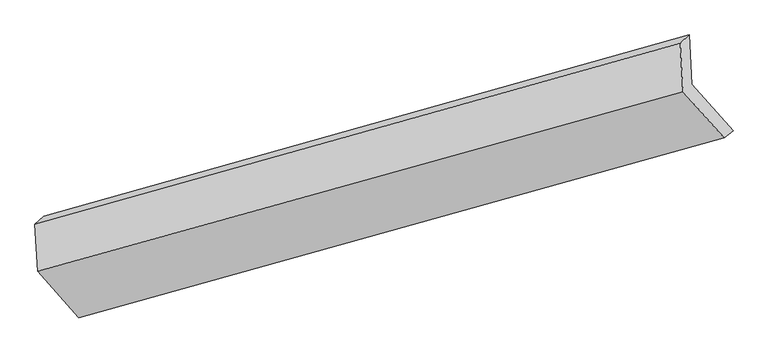
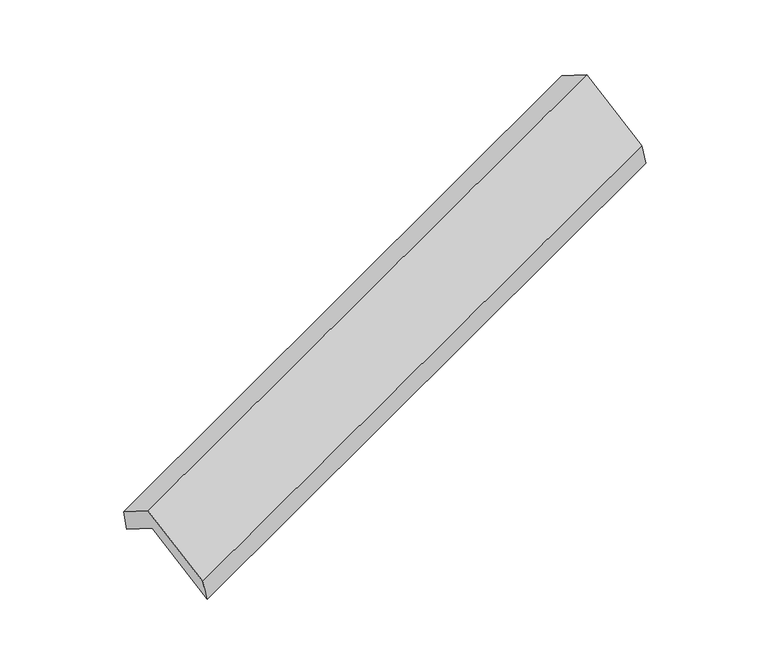
"""IFC4 building model written with IfcOpenShell, lengths in millimetres: proxy geometry."""

from ifc_helpers import new_model, si_unit, frame, origin, place, context, project, spatial, source, transform, mapped, element, save
from ifc_brep_helpers import plane_surface, spline_surface, advanced_brep


def generic_models_15a5d6e6(model_context):
    return source(origin(), model_context, "Body", "AdvancedBrep", [
        advanced_brep(
        [(-5102.2327512, -2101.8276433, 1282.6519669), (-5121.3565284, -1766.3167491, 1074.8388466), (-751.6722594, -540.4239647, 2651.9072991), (-732.5484823, -875.9348589, 2859.7204195), (-5181.2955763, -1822.7427763, 1285.818228), (-811.6113074, -596.8499918, 2862.8866805), (-5163.1397983, -2141.2709232, 1483.1123525), (-792.9715298, -923.8695124, 3065.4403029), (-4884.2673902, -2455.3968864, 950.298176), (-514.0991217, -1237.9954756, 2532.6261264), (-4823.3603431, -2415.9536065, 749.8377904), (-453.6760742, -1190.0608221, 2326.9062429)],
        [
            (0, 1),
            (1, 2),
            (2, 3),
            (3, 0),
            (1, 4),
            (4, 5),
            (5, 2),
            (4, 6),
            (6, 7),
            (7, 5),
            (6, 8),
            (8, 9),
            (9, 7),
            (8, 10),
            (10, 11),
            (11, 9),
            (10, 0),
            (3, 11),
        ],
        [
            plane_surface(frame((-5111.7946398, -1934.0721962, 1178.7454067), z_axis=(0.412918733571616, -0.4624544090160234, -0.7846235014624872), x_axis=(-0.048399959506729665, 0.8491373625731683, -0.525949791712128))),
            plane_surface(frame((-5151.3260523, -1794.5297627, 1180.3285373), z_axis=(-0.31948054412251503, 0.9341458560471285, 0.15907137252554077), x_axis=(-0.2646660341021253, -0.24915398793258478, 0.9315976495730022))),
            plane_surface(frame((-5172.2176873, -1982.0068497, 1384.4652902), z_axis=(-0.4129187335716168, 0.46245440901602347, 0.7846235014624869), x_axis=(0.0483999595067297, -0.8491373625731683, 0.5259497917121282))),
            plane_surface(frame((-5023.7035943, -2298.3339048, 1216.7052642), z_axis=(0.046505128757162784, -0.8496645739289282, 0.5252688690655982), x_axis=(0.4110248979342294, -0.4629844624217767, -0.7853049858712058))),
            spline_surface(1, 1, [[(-4884.2673902, -2455.3968864, 950.298176), (-514.0991217, -1237.9954756, 2532.6261264)], [(-4823.3603431, -2415.9536065, 749.8377904), (-453.6760742, -1190.0608221, 2326.9062429)]], [2, 2], [2, 2], [0.0, 1.0], [0.0, 1.0]),
            plane_surface(frame((-4962.7965472, -2258.8906249, 1016.2448787), z_axis=(-0.048399959506733176, 0.8491373625731725, -0.5259497917121208), x_axis=(-0.41102489793423197, 0.46298446242176666, 0.7853049858712103))),
            plane_surface(frame((-676.0964625, -894.1891042, 2716.5811786), z_axis=(0.910338386094919, 0.2541871889735977, 0.326608168550327), x_axis=(0.275021671791631, 0.21817947103097834, -0.9363550600416377))),
            plane_surface(frame((-5045.9420646, -2117.2514308, 1137.75956), z_axis=(-0.9103383860949201, -0.25418718897360726, -0.3266081685503167), x_axis=(0.41102489793422886, -0.46298446242177693, -0.7853049858712061))),
        ],
        [
            (0, [[1, 2, 3, 4]]),
            (1, [[5, 6, 7, -2]]),
            (2, [[8, 9, 10, -6]]),
            (3, [[11, 12, 13, -9]]),
            (4, [[14, 15, 16, -12]]),
            (5, [[17, -4, 18, -15]]),
            (6, [[-16, -18, -3, -7, -10, -13]]),
            (7, [[-17, -14, -11, -8, -5, -1]]),
        ],
    ),
    ])


if __name__ == "__main__":
    model = new_model("IFC4")
    model_context = context("Model", 3, world=origin())
    ifc_project = project(units=[si_unit("LENGTHUNIT", "METRE", prefix="MILLI")], contexts=[model_context])
    site = spatial("IfcSite", under=ifc_project)
    building = spatial("IfcBuilding", under=site)
    placement = place(None, origin())
    generic_models_shape = generic_models_15a5d6e6(model_context)
    element("IfcBuildingElementProxy", 1, Name="Generic Models", at=placement, inside=building, context=model_context, shape_type="MappedRepresentation", body=[
        mapped(generic_models_shape, transform((0.0, 0.0, 0.0), x_axis=(1.0, 0.0, 0.0), y_axis=(0.0, 1.0, 0.0), z_axis=(0.0, 0.0, 1.0))),
    ])
    save(model, "model.ifc")
